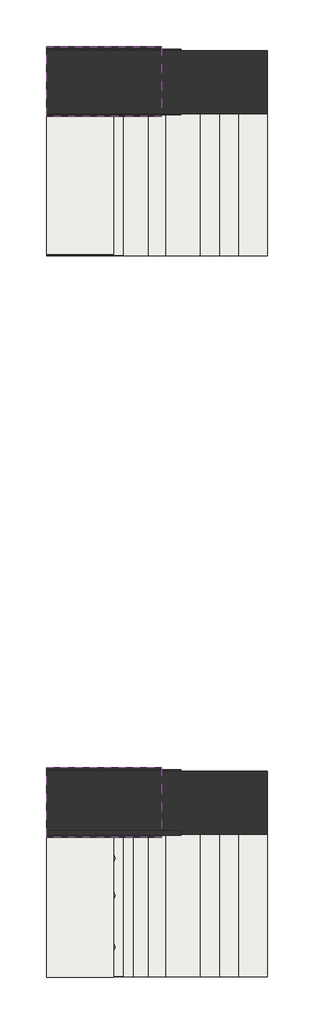
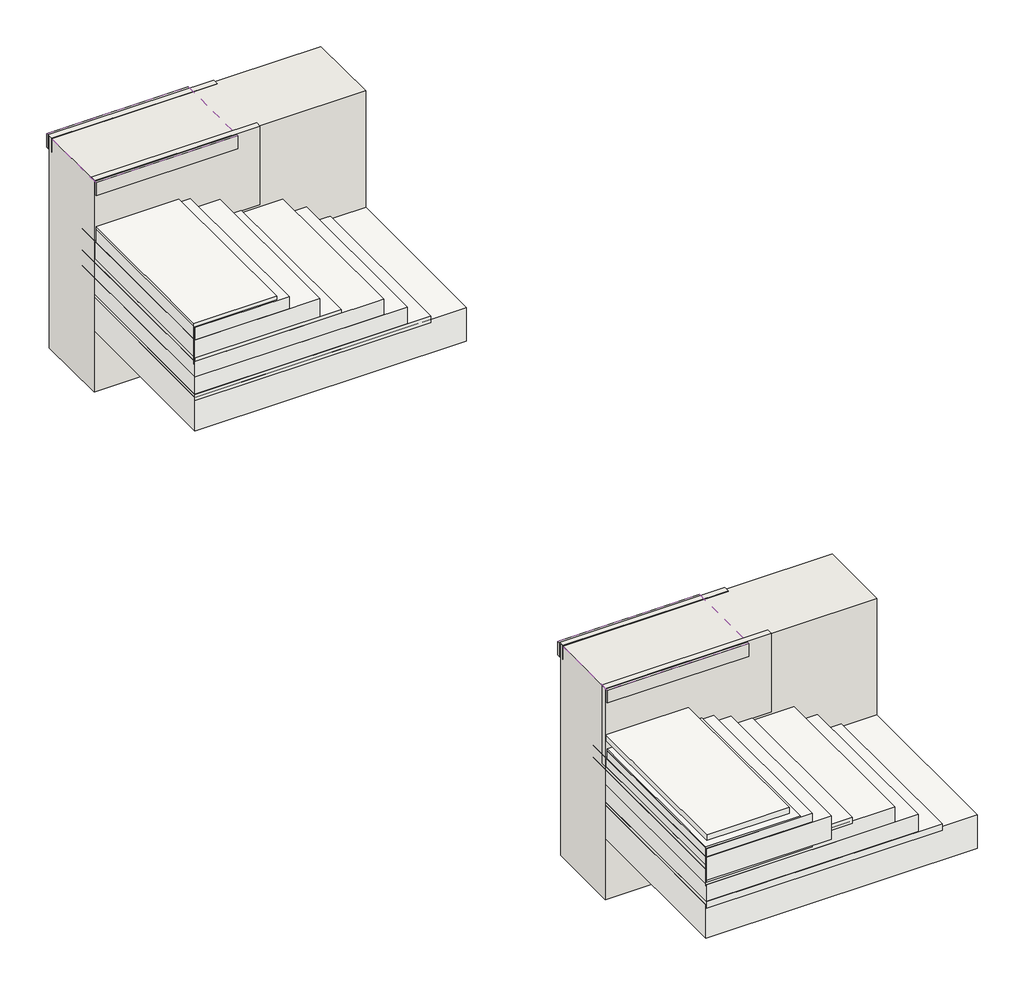
# One storey: 12 slabs, 10 walls, 7 coverings, 6 pipe segments.
"""IFC4 building model written with IfcOpenShell, lengths in millimetres."""

import ifcopenshell
import ifcopenshell.guid

model = None  # the IFC model being written
_history = None  # IfcOwnerHistory: only IFC2X3 demands one
_inside = {}  # id of a spatial element -> (the spatial element, [elements in it])
_under = {}  # id of a project, library or spatial element -> (it, [spatial elements below it])
_declared = {}  # id of a project -> (the project, [libraries it declares])
_typed = {}  # id of a type object -> (the type object, [elements of that type])
_made_of = {}  # id of a material, layer set ... -> (it, [elements and type objects made of it])


def new_model(schema):
    """Start an empty IFC model of exactly this schema.

    Asked for "IFC4X3", IfcOpenShell would pick the latest addendum, in which some entities
    have other attributes; the version numbers below select the first issue.
    IFC2X3 requires an IfcOwnerHistory on every rooted entity: one is made here for all.
    """
    global model, _history
    if schema == "IFC4X3":
        model = ifcopenshell.file(schema_version=(4, 3, 0, 0))
    else:
        model = ifcopenshell.file(schema=schema)
    _inside.clear()
    _under.clear()
    _declared.clear()
    _typed.clear()
    _made_of.clear()
    _history = None
    if model.schema == "IFC2X3":
        org = make("IfcOrganization", Name="unknown")
        user = make(
            "IfcPersonAndOrganization",
            ThePerson=make("IfcPerson", FamilyName="unknown"),
            TheOrganization=org,
        )
        app = make(
            "IfcApplication",
            ApplicationDeveloper=org,
            Version="unknown",
            ApplicationFullName="unknown",
            ApplicationIdentifier="unknown",
        )
        _history = make(
            "IfcOwnerHistory",
            OwningUser=user,
            OwningApplication=app,
            ChangeAction="ADDED",
            CreationDate=0,
        )
    return model


def make(cls, **values):
    """One entity of the class cls with the attributes given. An attribute that is None is left unset."""
    return model.create_entity(
        cls, **{name: value for name, value in values.items() if value is not None}
    )


def rooted(cls, **values):
    """An entity with a GlobalId (a new one), such as an element, a storey or a relation."""
    return make(cls, GlobalId=ifcopenshell.guid.new(), OwnerHistory=_history, **values)


def si_unit(unit_type, name, prefix=None):
    """IfcSIUnit, for example si_unit("LENGTHUNIT", "METRE", prefix="MILLI")."""
    return make("IfcSIUnit", UnitType=unit_type, Prefix=prefix, Name=name)


def assignment(units):
    """IfcUnitAssignment: the units of a project."""
    return None if units is None else make("IfcUnitAssignment", Units=units)


def point(xyz):
    """IfcCartesianPoint."""
    return None if xyz is None else make("IfcCartesianPoint", Coordinates=xyz)


def direction(xyz):
    """IfcDirection."""
    return None if xyz is None else make("IfcDirection", DirectionRatios=xyz)


def frame(location, z_axis=None, x_axis=None):
    """IfcAxis2Placement3D, a coordinate frame: its origin and axes. An axis left out is left unset."""
    return make(
        "IfcAxis2Placement3D",
        Location=point(location),
        Axis=direction(z_axis),
        RefDirection=direction(x_axis),
    )


def frame_2d(location, x_axis=None):
    """IfcAxis2Placement2D, a coordinate frame in the plane: its origin and x axis."""
    return make(
        "IfcAxis2Placement2D", Location=point(location), RefDirection=direction(x_axis)
    )


def origin():
    """The frame at (0, 0, 0) with its axes left unset."""
    return frame((0.0, 0.0, 0.0))


def place(relative_to, where):
    """IfcLocalPlacement: puts the frame where relative to a parent placement (None: the world)."""
    return make(
        "IfcLocalPlacement", PlacementRelTo=relative_to, RelativePlacement=where
    )


def context(
    kind, dimensions, precision=None, world=None, true_north=None, identifier=None
):
    """IfcGeometricRepresentationContext, for example the 3D "Model" context."""
    return make(
        "IfcGeometricRepresentationContext",
        ContextIdentifier=identifier,
        ContextType=kind,
        CoordinateSpaceDimension=dimensions,
        Precision=precision,
        WorldCoordinateSystem=world,
        TrueNorth=true_north,
    )


def project(units=None, contexts=None):
    """IfcProject with its units and contexts."""
    return rooted(
        "IfcProject",
        Name="project",
        RepresentationContexts=contexts,
        UnitsInContext=assignment(units),
    )


def spatial(cls, under=None, at=None, **own):
    """A site, building, storey or space (cls), placed at a placement, below another one or the project."""
    s = rooted(cls, ObjectPlacement=at, **own)
    if under is not None:
        _under.setdefault(under.id(), (under, []))[1].append(s)
    return s


def polyline(points):
    """IfcPolyline through the points."""
    return make("IfcPolyline", Points=[point(p) for p in points])


def circle_curve(where, radius):
    """IfcCircle in the frame where."""
    return make("IfcCircle", Position=where, Radius=radius)


def trimmed(basis, trim1, trim2, sense, master):
    """IfcTrimmedCurve: the piece of a basis curve between two trims."""
    return make(
        "IfcTrimmedCurve",
        BasisCurve=basis,
        Trim1=trim1,
        Trim2=trim2,
        SenseAgreement=sense,
        MasterRepresentation=master,
    )


def segment(curve, same_sense, transition):
    """IfcCompositeCurveSegment."""
    return make(
        "IfcCompositeCurveSegment",
        Transition=transition,
        SameSense=same_sense,
        ParentCurve=curve,
    )


def composite_curve(segments, self_intersect=None):
    """IfcCompositeCurve: segments joined end to end."""
    return make("IfcCompositeCurve", Segments=segments, SelfIntersect=self_intersect)


def outline(outer, holes=None, kind="AREA"):
    """IfcArbitraryClosedProfileDef: a profile drawn as a closed curve; with holes, ...WithVoids."""
    if holes is None:
        return make("IfcArbitraryClosedProfileDef", ProfileType=kind, OuterCurve=outer)
    return make(
        "IfcArbitraryProfileDefWithVoids",
        ProfileType=kind,
        OuterCurve=outer,
        InnerCurves=holes,
    )


def extrude(swept, where, along, depth):
    """IfcExtrudedAreaSolid: the profile swept, set in the frame where, extruded along a direction by depth."""
    return make(
        "IfcExtrudedAreaSolid",
        SweptArea=swept,
        Position=where,
        ExtrudedDirection=direction(along),
        Depth=depth,
    )


def faces_of(points, faces, orient=None, outer=None):
    """IfcFace entities. A face is a list of loops; a loop is a list of indices into points, from 0.

    orient and outer hold one flag for each loop. By default every Orientation is true, the
    first loop of a face is its IfcFaceOuterBound and the others are IfcFaceBound.
    """
    made = []
    for i, loops in enumerate(faces):
        bounds = []
        for j, loop in enumerate(loops):
            is_outer = j == 0 if outer is None else outer[i][j]
            bounds.append(
                make(
                    "IfcFaceOuterBound" if is_outer else "IfcFaceBound",
                    Bound=make("IfcPolyLoop", Polygon=[points[k] for k in loop]),
                    Orientation=True if orient is None else orient[i][j],
                )
            )
        made.append(make("IfcFace", Bounds=bounds))
    return made


def faceted_brep(points, faces, orient=None, outer=None, voids=None):
    """IfcFacetedBrep: a solid bounded by flat faces; with voids (closed shells), ...WithVoids."""
    shared = [point(p) for p in points]
    hull = make("IfcClosedShell", CfsFaces=faces_of(shared, faces, orient, outer))
    if voids is None:
        return make("IfcFacetedBrep", Outer=hull)
    return make(
        "IfcFacetedBrepWithVoids",
        Outer=hull,
        Voids=[
            make(cls, CfsFaces=faces_of(shared, fs, o, b)) for cls, fs, o, b in voids
        ],
    )


def shape(context_of_items, identifier, shape_type, items):
    """IfcShapeRepresentation: the items that make up one representation, for example the "Body"."""
    return make(
        "IfcShapeRepresentation",
        ContextOfItems=context_of_items,
        RepresentationIdentifier=identifier,
        RepresentationType=shape_type,
        Items=items,
    )


def made_of(thing, what):
    """Note that an element or type object is made of a material, layer set ...; save() writes the relation."""
    if what is not None:
        _made_of.setdefault(what.id(), (what, []))[1].append(thing)
    return thing


def element(
    cls,
    number,
    at=None,
    inside=None,
    cuts=None,
    type_object=None,
    material=None,
    context=None,
    identifier="Body",
    shape_type=None,
    held_by="IfcProductDefinitionShape",
    body=None,
    shapes=None,
    **own,
):
    """One element of the class cls, such as IfcWall. Its Tag is "e" and its number.

    at: its placement. inside: the storey or other place that contains it. cuts: it is an
    opening in that element (IfcRelVoidsElement). A single representation is given by context,
    identifier, shape_type and body (its items); several are given by shapes. held_by: the class
    of the entity that holds the representations. save() writes the other relations.
    """
    e = rooted(cls, Tag="e%d" % number, ObjectPlacement=at, **own)
    if body is not None:
        shapes = [shape(context, identifier, shape_type, body)]
    if shapes is not None:
        e.Representation = make(held_by, Representations=shapes)
    if inside is not None:
        _inside.setdefault(inside.id(), (inside, []))[1].append(e)
    if cuts is not None:
        rooted(
            "IfcRelVoidsElement", RelatingBuildingElement=cuts, RelatedOpeningElement=e
        )
    if type_object is not None:
        _typed.setdefault(type_object.id(), (type_object, []))[1].append(e)
    return made_of(e, material)


def aggregate(whole, parts):
    """IfcRelAggregates: a whole, such as a stair, and the parts it consists of."""
    return rooted("IfcRelAggregates", RelatingObject=whole, RelatedObjects=parts)


def save(model, path):
    """Write the relations noted so far, then the file.

    IfcRelAggregates (storeys below a building ...), IfcRelContainedInSpatialStructure (elements
    in a storey), IfcRelDefinesByType, IfcRelAssociatesMaterial and IfcRelDeclares: one each for
    every whole, place, type object, material and project.
    """
    for whole, parts in _under.values():
        aggregate(whole, parts)
    for where, things in _inside.values():
        rooted(
            "IfcRelContainedInSpatialStructure",
            RelatedElements=things,
            RelatingStructure=where,
        )
    for kind, things in _typed.values():
        rooted("IfcRelDefinesByType", RelatedObjects=things, RelatingType=kind)
    for what, things in _made_of.values():
        rooted("IfcRelAssociatesMaterial", RelatedObjects=things, RelatingMaterial=what)
    for by, libraries in _declared.values():
        rooted("IfcRelDeclares", RelatingContext=by, RelatedDefinitions=libraries)
    model.write(path)


model = new_model("IFC4")

# Units and contexts
model_context = context("Model", 3, world=origin())
ifc_project = project(units=[si_unit("LENGTHUNIT", "METRE", prefix="MILLI")], contexts=[model_context])

# Site, building, storey
site = spatial("IfcSite", under=ifc_project)
building = spatial("IfcBuilding", under=site)
storey = spatial("IfcBuildingStorey", under=building, Elevation=0.0)

# Coverings
placement = place(None, origin())
element("IfcCovering", 1, at=placement, inside=storey, context=model_context, shape_type="SweptSolid", body=[
    extrude(outline(polyline([(-23182.5624154, -14731.5458538), (-21182.5624154, -14731.5458538), (-21182.5624154, -16210.8477988), (-23182.5624154, -16210.8477988), (-23182.5624154, -14731.5458538)])), frame((0.0, 0.0, 179.3793099), z_axis=(0.0, 0.0, 1.0), x_axis=(1.0, 0.0, 0.0)), (0.0, 0.0, 1.0), 57.0),
])
element("IfcCovering", 2, at=placement, inside=storey, context=model_context, shape_type="SweptSolid", body=[
    extrude(outline(polyline([(-23182.5624154, -14561.953305), (-21942.5624154, -14561.953305), (-21942.5624154, -16208.7700458), (-23182.5624154, -16208.7700458), (-23182.5624154, -14561.953305)])), frame((0.0, 0.0, 507.3951932), z_axis=(0.0, 0.0, 1.0), x_axis=(1.0, 0.0, 0.0)), (0.0, 0.0, 1.0), 52.0),
])
element("IfcCovering", 3, at=placement, inside=storey, context=model_context, shape_type="SweptSolid", body=[
    extrude(outline(polyline([(-23182.5624154, -14033.7541097), (-21982.5624154, -14033.7541097), (-21982.5624154, -14760.9958441), (-23182.5624154, -14760.9958441), (-23182.5624154, -14033.7541097)])), frame((0.0, 0.0, 1254.3055564), z_axis=(0.0, 0.0, 1.0), x_axis=(1.0, 0.0, 0.0)), (0.0, 0.0, 1.0), 52.0),
])
element("IfcCovering", 4, at=placement, inside=storey, context=model_context, shape_type="SweptSolid", body=[
    extrude(outline(polyline([(-23182.5624154, -22231.5458538), (-21182.5624154, -22231.5458538), (-21182.5624154, -23710.8477988), (-23182.5624154, -23710.8477988), (-23182.5624154, -22231.5458538)])), frame((0.0, 0.0, 179.3793099), z_axis=(0.0, 0.0, 1.0), x_axis=(1.0, 0.0, 0.0)), (0.0, 0.0, 1.0), 57.0),
])
element("IfcCovering", 5, at=placement, inside=storey, context=model_context, shape_type="SweptSolid", body=[
    extrude(outline(polyline([(-23182.5624154, -22061.953305), (-21942.5624154, -22061.953305), (-21942.5624154, -23711.953305), (-23182.5624154, -23711.953305), (-23182.5624154, -22061.953305)])), frame((0.0, 0.0, 507.3951932), z_axis=(0.0, 0.0, 1.0), x_axis=(1.0, 0.0, 0.0)), (0.0, 0.0, 1.0), 52.0),
])
element("IfcCovering", 6, at=placement, inside=storey, context=model_context, shape_type="SweptSolid", body=[
    extrude(outline(polyline([(-23182.5624154, -22240.66973), (-22482.5624154, -22240.66973), (-22482.5624154, -23719.971675), (-23182.5624154, -23719.971675), (-23182.5624154, -22240.66973)])), frame((0.0, 0.0, 791.8317649), z_axis=(0.0, 0.0, 1.0), x_axis=(1.0, 0.0, 0.0)), (0.0, 0.0, 1.0), 52.0),
])
element("IfcCovering", 7, at=placement, inside=storey, context=model_context, shape_type="SweptSolid", body=[
    extrude(outline(polyline([(-23182.5624154, -21533.7541097), (-21982.5624154, -21533.7541097), (-21982.5624154, -22260.9958441), (-23182.5624154, -22260.9958441), (-23182.5624154, -21533.7541097)])), frame((0.0, 0.0, 1254.3055564), z_axis=(0.0, 0.0, 1.0), x_axis=(1.0, 0.0, 0.0)), (0.0, 0.0, 1.0), 52.0),
])

# Pipe segments
element("IfcPipeSegment", 8, at=placement, inside=storey, context=model_context, shape_type="SweptSolid", body=[
    extrude(outline(composite_curve([segment(trimmed(circle_curve(frame_2d((-22522.6890772, -23403.1916701)), 21.082), [point((-22543.7710772, -23403.1916701))], [point((-22522.6890772, -23382.1096701))], False, "CARTESIAN"), True, "CONTINUOUS"), segment(trimmed(circle_curve(frame_2d((-22522.6890772, -23403.1916701)), 21.082), [point((-22522.6890772, -23382.1096701))], [point((-22501.6070772, -23403.1916701))], False, "CARTESIAN"), True, "CONTINUOUS"), segment(trimmed(circle_curve(frame_2d((-22522.6890772, -23403.1916701)), 21.082), [point((-22501.6070772, -23403.1916701))], [point((-22522.6890772, -23424.2736701))], False, "CARTESIAN"), True, "CONTINUOUS"), segment(trimmed(circle_curve(frame_2d((-22522.6890772, -23403.1916701)), 21.082), [point((-22522.6890772, -23424.2736701))], [point((-22543.7710772, -23403.1916701))], False, "CARTESIAN"), True, "CONTINUOUS")], self_intersect=False)), frame((0.0, 0.0, 731.3853786), z_axis=(0.0, 0.0, 1.0), x_axis=(1.0, 0.0, 0.0)), (0.0, 0.0, 1.0), 55.0),
])
element("IfcPipeSegment", 9, at=placement, inside=storey, context=model_context, shape_type="SweptSolid", body=[
    extrude(outline(composite_curve([segment(trimmed(circle_curve(frame_2d((-22522.6890772, -23403.1916701)), 57.15), [point((-22579.8390772, -23403.1916701))], [point((-22522.6890772, -23346.0416701))], False, "CARTESIAN"), True, "CONTINUOUS"), segment(trimmed(circle_curve(frame_2d((-22522.6890772, -23403.1916701)), 57.15), [point((-22522.6890772, -23346.0416701))], [point((-22465.5390772, -23403.1916701))], False, "CARTESIAN"), True, "CONTINUOUS"), segment(trimmed(circle_curve(frame_2d((-22522.6890772, -23403.1916701)), 57.15), [point((-22465.5390772, -23403.1916701))], [point((-22522.6890772, -23460.3416701))], False, "CARTESIAN"), True, "CONTINUOUS"), segment(trimmed(circle_curve(frame_2d((-22522.6890772, -23403.1916701)), 57.15), [point((-22522.6890772, -23460.3416701))], [point((-22579.8390772, -23403.1916701))], False, "CARTESIAN"), True, "CONTINUOUS")], self_intersect=False)), frame((0.0, 0.0, 731.3853786), z_axis=(0.0, 0.0, 1.0), x_axis=(1.0, 0.0, 0.0)), (0.0, 0.0, 1.0), 20.0),
])
element("IfcPipeSegment", 10, at=placement, inside=storey, context=model_context, shape_type="SweptSolid", body=[
    extrude(outline(composite_curve([segment(trimmed(circle_curve(frame_2d((-22522.6890772, -22868.3408869)), 21.082), [point((-22543.7710772, -22868.3408869))], [point((-22522.6890772, -22847.2588869))], False, "CARTESIAN"), True, "CONTINUOUS"), segment(trimmed(circle_curve(frame_2d((-22522.6890772, -22868.3408869)), 21.082), [point((-22522.6890772, -22847.2588869))], [point((-22501.6070772, -22868.3408869))], False, "CARTESIAN"), True, "CONTINUOUS"), segment(trimmed(circle_curve(frame_2d((-22522.6890772, -22868.3408869)), 21.082), [point((-22501.6070772, -22868.3408869))], [point((-22522.6890772, -22889.4228869))], False, "CARTESIAN"), True, "CONTINUOUS"), segment(trimmed(circle_curve(frame_2d((-22522.6890772, -22868.3408869)), 21.082), [point((-22522.6890772, -22889.4228869))], [point((-22543.7710772, -22868.3408869))], False, "CARTESIAN"), True, "CONTINUOUS")], self_intersect=False)), frame((0.0, 0.0, 731.3853786), z_axis=(0.0, 0.0, 1.0), x_axis=(1.0, 0.0, 0.0)), (0.0, 0.0, 1.0), 55.0),
])
element("IfcPipeSegment", 11, at=placement, inside=storey, context=model_context, shape_type="SweptSolid", body=[
    extrude(outline(composite_curve([segment(trimmed(circle_curve(frame_2d((-22522.6890772, -22868.3408869)), 57.15), [point((-22579.8390772, -22868.3408869))], [point((-22522.6890772, -22811.1908869))], False, "CARTESIAN"), True, "CONTINUOUS"), segment(trimmed(circle_curve(frame_2d((-22522.6890772, -22868.3408869)), 57.15), [point((-22522.6890772, -22811.1908869))], [point((-22465.5390772, -22868.3408869))], False, "CARTESIAN"), True, "CONTINUOUS"), segment(trimmed(circle_curve(frame_2d((-22522.6890772, -22868.3408869)), 57.15), [point((-22465.5390772, -22868.3408869))], [point((-22522.6890772, -22925.4908869))], False, "CARTESIAN"), True, "CONTINUOUS"), segment(trimmed(circle_curve(frame_2d((-22522.6890772, -22868.3408869)), 57.15), [point((-22522.6890772, -22925.4908869))], [point((-22579.8390772, -22868.3408869))], False, "CARTESIAN"), True, "CONTINUOUS")], self_intersect=False)), frame((0.0, 0.0, 731.3853786), z_axis=(0.0, 0.0, 1.0), x_axis=(1.0, 0.0, 0.0)), (0.0, 0.0, 1.0), 20.0),
])
element("IfcPipeSegment", 12, at=placement, inside=storey, context=model_context, shape_type="SweptSolid", body=[
    extrude(outline(composite_curve([segment(trimmed(circle_curve(frame_2d((-22522.6890772, -22480.5314831)), 21.082), [point((-22543.7710772, -22480.5314831))], [point((-22522.6890772, -22459.4494831))], False, "CARTESIAN"), True, "CONTINUOUS"), segment(trimmed(circle_curve(frame_2d((-22522.6890772, -22480.5314831)), 21.082), [point((-22522.6890772, -22459.4494831))], [point((-22501.6070772, -22480.5314831))], False, "CARTESIAN"), True, "CONTINUOUS"), segment(trimmed(circle_curve(frame_2d((-22522.6890772, -22480.5314831)), 21.082), [point((-22501.6070772, -22480.5314831))], [point((-22522.6890772, -22501.6134831))], False, "CARTESIAN"), True, "CONTINUOUS"), segment(trimmed(circle_curve(frame_2d((-22522.6890772, -22480.5314831)), 21.082), [point((-22522.6890772, -22501.6134831))], [point((-22543.7710772, -22480.5314831))], False, "CARTESIAN"), True, "CONTINUOUS")], self_intersect=False)), frame((0.0, 0.0, 731.3853786), z_axis=(0.0, 0.0, 1.0), x_axis=(1.0, 0.0, 0.0)), (0.0, 0.0, 1.0), 55.0),
])
element("IfcPipeSegment", 13, at=placement, inside=storey, context=model_context, shape_type="SweptSolid", body=[
    extrude(outline(composite_curve([segment(trimmed(circle_curve(frame_2d((-22522.6890772, -22480.5314831)), 57.15), [point((-22579.8390772, -22480.5314831))], [point((-22522.6890772, -22423.3814831))], False, "CARTESIAN"), True, "CONTINUOUS"), segment(trimmed(circle_curve(frame_2d((-22522.6890772, -22480.5314831)), 57.15), [point((-22522.6890772, -22423.3814831))], [point((-22465.5390772, -22480.5314831))], False, "CARTESIAN"), True, "CONTINUOUS"), segment(trimmed(circle_curve(frame_2d((-22522.6890772, -22480.5314831)), 57.15), [point((-22465.5390772, -22480.5314831))], [point((-22522.6890772, -22537.6814831))], False, "CARTESIAN"), True, "CONTINUOUS"), segment(trimmed(circle_curve(frame_2d((-22522.6890772, -22480.5314831)), 57.15), [point((-22522.6890772, -22537.6814831))], [point((-22579.8390772, -22480.5314831))], False, "CARTESIAN"), True, "CONTINUOUS")], self_intersect=False)), frame((0.0, 0.0, 731.3853786), z_axis=(0.0, 0.0, 1.0), x_axis=(1.0, 0.0, 0.0)), (0.0, 0.0, 1.0), 20.0),
])

# Slabs
element("IfcSlab", 14, at=placement, inside=storey, context=model_context, shape_type="SweptSolid", body=[
    extrude(outline(polyline([(-23182.5624154, -14730.9709867), (-20882.5624154, -14730.9709867), (-20882.5624154, -16210.2729317), (-23182.5624154, -16210.2729317), (-23182.5624154, -14730.9709867)])), frame((0.0, 0.0, -90.0), z_axis=(0.0, 0.0, 1.0), x_axis=(1.0, 0.0, 0.0)), (0.0, 0.0, 1.0), 300.0),
])
element("IfcSlab", 15, at=placement, inside=storey, context=model_context, shape_type="SweptSolid", body=[
    extrude(outline(polyline([(-23182.5624154, -14559.9075872), (-21382.5624154, -14559.9075872), (-21382.5624154, -16210.8477988), (-23182.5624154, -16210.8477988), (-23182.5624154, -14559.9075872)])), frame((0.0, 0.0, 240.0), z_axis=(0.0, 0.0, 1.0), x_axis=(1.0, 0.0, 0.0)), (0.0, 0.0, 1.0), 150.0),
])
element("IfcSlab", 16, at=placement, inside=storey, context=model_context, shape_type="SweptSolid", body=[
    extrude(outline(polyline([(-23182.5624154, -14559.6455739), (-21582.5624154, -14559.6455739), (-21582.5624154, -16210.5857855), (-23182.5624154, -16210.5857855), (-23182.5624154, -14559.6455739)])), frame((0.0, 0.0, 380.0), z_axis=(0.0, 0.0, 1.0), x_axis=(1.0, 0.0, 0.0)), (0.0, 0.0, 1.0), 150.0),
])
element("IfcSlab", 17, at=placement, inside=storey, context=model_context, shape_type="SweptSolid", body=[
    extrude(outline(polyline([(-23182.5624154, -14559.6455739), (-22122.5624154, -14559.6455739), (-22122.5624154, -16208.7700458), (-23182.5624154, -16208.7700458), (-23182.5624154, -14559.6455739)])), frame((0.0, 0.0, 512.4574857), z_axis=(0.0, 0.0, 1.0), x_axis=(1.0, 0.0, 0.0)), (0.0, 0.0, 1.0), 210.0),
])
element("IfcSlab", 18, at=placement, inside=storey, context=model_context, shape_type="SweptSolid", body=[
    extrude(outline(polyline([(-23182.5624154, -14759.7109913), (-22382.5624154, -14759.7109913), (-22382.5624154, -16207.6374119), (-23182.5624154, -16207.6374119), (-23182.5624154, -14759.7109913)])), frame((0.0, 0.0, 606.3172572), z_axis=(0.0, 0.0, 1.0), x_axis=(1.0, 0.0, 0.0)), (0.0, 0.0, 1.0), 225.0),
])
element("IfcSlab", 19, at=placement, inside=storey, context=model_context, shape_type="SweptSolid", body=[
    extrude(outline(polyline([(-23182.5624154, -14761.6262456), (-22482.5624154, -14761.6262456), (-22482.5624154, -16196.6262456), (-23182.5624154, -16196.6262456), (-23182.5624154, -14761.6262456)])), frame((0.0, 0.0, 500.0), z_axis=(0.0, 0.0, 1.0), x_axis=(1.0, 0.0, 0.0)), (0.0, 0.0, 1.0), 362.0),
])
element("IfcSlab", 20, at=placement, inside=storey, context=model_context, shape_type="SweptSolid", body=[
    extrude(outline(polyline([(-23182.5624154, -22230.9709867), (-20882.5624154, -22230.9709867), (-20882.5624154, -23710.2729317), (-23182.5624154, -23710.2729317), (-23182.5624154, -22230.9709867)])), frame((0.0, 0.0, -90.0), z_axis=(0.0, 0.0, 1.0), x_axis=(1.0, 0.0, 0.0)), (0.0, 0.0, 1.0), 300.0),
])
element("IfcSlab", 21, at=placement, inside=storey, context=model_context, shape_type="SweptSolid", body=[
    extrude(outline(polyline([(-23182.5624154, -22059.9075872), (-21382.5624154, -22059.9075872), (-21382.5624154, -23710.8477988), (-23182.5624154, -23710.8477988), (-23182.5624154, -22059.9075872)])), frame((0.0, 0.0, 240.0), z_axis=(0.0, 0.0, 1.0), x_axis=(1.0, 0.0, 0.0)), (0.0, 0.0, 1.0), 150.0),
])
element("IfcSlab", 22, at=placement, inside=storey, context=model_context, shape_type="SweptSolid", body=[
    extrude(outline(polyline([(-23182.5624154, -22059.6455739), (-21582.5624154, -22059.6455739), (-21582.5624154, -23710.5857855), (-23182.5624154, -23710.5857855), (-23182.5624154, -22059.6455739)])), frame((0.0, 0.0, 380.0), z_axis=(0.0, 0.0, 1.0), x_axis=(1.0, 0.0, 0.0)), (0.0, 0.0, 1.0), 150.0),
])
element("IfcSlab", 23, at=placement, inside=storey, context=model_context, shape_type="SweptSolid", body=[
    extrude(outline(polyline([(-23182.5624154, -22059.6455739), (-22122.5624154, -22059.6455739), (-22122.5624154, -23713.526454), (-23182.5624154, -23713.526454), (-23182.5624154, -22059.6455739)])), frame((0.0, 0.0, 430.0), z_axis=(0.0, 0.0, 1.0), x_axis=(1.0, 0.0, 0.0)), (0.0, 0.0, 1.0), 210.0),
])
element("IfcSlab", 24, at=placement, inside=storey, context=model_context, shape_type="SweptSolid", body=[
    extrude(outline(polyline([(-23182.5624154, -22263.212721), (-22282.5624154, -22263.212721), (-22282.5624154, -23711.1391417), (-23182.5624154, -23711.1391417), (-23182.5624154, -22263.212721)])), frame((0.0, 0.0, 413.8060402), z_axis=(0.0, 0.0, 1.0), x_axis=(1.0, 0.0, 0.0)), (0.0, 0.0, 1.0), 300.0),
])
element("IfcSlab", 25, at=placement, inside=storey, context=model_context, shape_type="SweptSolid", body=[
    extrude(outline(polyline([(-23182.5624154, -22261.9118761), (-22382.5624154, -22261.9118761), (-22382.5624154, -23709.8382967), (-23182.5624154, -23709.8382967), (-23182.5624154, -22261.9118761)])), frame((0.0, 0.0, 503.5978561), z_axis=(0.0, 0.0, 1.0), x_axis=(1.0, 0.0, 0.0)), (0.0, 0.0, 1.0), 225.0),
])

# Walls
element("IfcWall", 26, at=placement, inside=storey, context=model_context, shape_type="Brep", body=[
    faceted_brep([(-20882.5624154, -14075.9709867, -640.6206901), (-23182.5624154, -14075.9709867, -640.6206901), (-23182.5624154, -14075.9709867, 1254.3055564), (-20882.5624154, -14075.9709867, 1254.3055564), (-20882.5624154, -14730.9709867, -640.6206901), (-20882.5624154, -14730.9709867, -90.0), (-20882.5624154, -14730.9709867, 210.0), (-20882.5624154, -14730.9709867, 1254.3055564), (-23182.5624154, -14730.9709867, 1254.3055564), (-23182.5624154, -14730.9709867, 210.0), (-23182.5624154, -14730.9709867, -90.0), (-23182.5624154, -14730.9709867, -640.6206901)], [[[0, 1, 2, 3]], [[4, 5, 6, 7, 8, 9, 10, 11]], [[1, 0, 4, 11]], [[2, 1, 11, 10, 9, 8]], [[3, 2, 8, 7]], [[0, 3, 7, 6, 5, 4]]]),
])
element("IfcWall", 27, at=placement, inside=storey, context=model_context, shape_type="SweptSolid", body=[
    extrude(outline(polyline([(-23182.5624154, -14060.9709867), (-21782.5624154, -14060.9709867), (-21782.5624154, -14110.9709867), (-23182.5624154, -14110.9709867), (-23182.5624154, -14060.9709867)])), frame((0.0, 0.0, 1135.1358729), z_axis=(0.0, 0.0, 1.0), x_axis=(1.0, 0.0, 0.0)), (0.0, 0.0, 1.0), 124.390275),
])
element("IfcWall", 28, at=placement, inside=storey, context=model_context, shape_type="SweptSolid", body=[
    extrude(outline(polyline([(-23182.5624154, -14690.9709867), (-21782.5624154, -14690.9709867), (-21782.5624154, -14740.9709867), (-23182.5624154, -14740.9709867), (-23182.5624154, -14690.9709867)])), frame((0.0, 0.0, 556.4497982), z_axis=(0.0, 0.0, 1.0), x_axis=(1.0, 0.0, 0.0)), (0.0, 0.0, 1.0), 703.5502018),
])
element("IfcWall", 29, at=placement, inside=storey, context=model_context, shape_type="SweptSolid", body=[
    extrude(outline(polyline([(-23182.5624154, -14035.9709867), (-21982.5624154, -14035.9709867), (-21982.5624154, -14085.9709867), (-23182.5624154, -14085.9709867), (-23182.5624154, -14035.9709867)])), frame((0.0, 0.0, 1131.3607465), z_axis=(0.0, 0.0, 1.0), x_axis=(1.0, 0.0, 0.0)), (0.0, 0.0, 1.0), 122.9448099),
])
element("IfcWall", 30, at=placement, inside=storey, context=model_context, shape_type="SweptSolid", body=[
    extrude(outline(polyline([(-23182.5624154, -14710.9958441), (-21982.5624154, -14710.9958441), (-21982.5624154, -14760.9958441), (-23182.5624154, -14760.9958441), (-23182.5624154, -14710.9958441)])), frame((0.0, 0.0, 1138.8977316), z_axis=(0.0, 0.0, 1.0), x_axis=(1.0, 0.0, 0.0)), (0.0, 0.0, 1.0), 115.4078248),
])
element("IfcWall", 31, at=placement, inside=storey, context=model_context, shape_type="Brep", body=[
    faceted_brep([(-20882.5624154, -21575.9709867, -640.6206901), (-23182.5624154, -21575.9709867, -640.6206901), (-23182.5624154, -21575.9709867, 1254.3055564), (-20882.5624154, -21575.9709867, 1254.3055564), (-20882.5624154, -22230.9709867, -640.6206901), (-20882.5624154, -22230.9709867, -90.0), (-20882.5624154, -22230.9709867, 210.0), (-20882.5624154, -22230.9709867, 1254.3055564), (-23182.5624154, -22230.9709867, 1254.3055564), (-23182.5624154, -22230.9709867, 210.0), (-23182.5624154, -22230.9709867, -90.0), (-23182.5624154, -22230.9709867, -640.6206901)], [[[0, 1, 2, 3]], [[4, 5, 6, 7, 8, 9, 10, 11]], [[1, 0, 4, 11]], [[2, 1, 11, 10, 9, 8]], [[3, 2, 8, 7]], [[0, 3, 7, 6, 5, 4]]]),
])
element("IfcWall", 32, at=placement, inside=storey, context=model_context, shape_type="SweptSolid", body=[
    extrude(outline(polyline([(-23182.5624154, -21560.9709867), (-21782.5624154, -21560.9709867), (-21782.5624154, -21610.9709867), (-23182.5624154, -21610.9709867), (-23182.5624154, -21560.9709867)])), frame((0.0, 0.0, 1135.1358729), z_axis=(0.0, 0.0, 1.0), x_axis=(1.0, 0.0, 0.0)), (0.0, 0.0, 1.0), 124.390275),
])
element("IfcWall", 33, at=placement, inside=storey, context=model_context, shape_type="SweptSolid", body=[
    extrude(outline(polyline([(-23182.5624154, -22190.9709867), (-21782.5624154, -22190.9709867), (-21782.5624154, -22240.9709867), (-23182.5624154, -22240.9709867), (-23182.5624154, -22190.9709867)])), frame((0.0, 0.0, 556.4497982), z_axis=(0.0, 0.0, 1.0), x_axis=(1.0, 0.0, 0.0)), (0.0, 0.0, 1.0), 703.5502018),
])
element("IfcWall", 34, at=placement, inside=storey, context=model_context, shape_type="SweptSolid", body=[
    extrude(outline(polyline([(-23182.5624154, -21535.9709867), (-21982.5624154, -21535.9709867), (-21982.5624154, -21585.9709867), (-23182.5624154, -21585.9709867), (-23182.5624154, -21535.9709867)])), frame((0.0, 0.0, 1131.3607465), z_axis=(0.0, 0.0, 1.0), x_axis=(1.0, 0.0, 0.0)), (0.0, 0.0, 1.0), 122.9448099),
])
element("IfcWall", 35, at=placement, inside=storey, context=model_context, shape_type="SweptSolid", body=[
    extrude(outline(polyline([(-23182.5624154, -22210.9958441), (-21982.5624154, -22210.9958441), (-21982.5624154, -22260.9958441), (-23182.5624154, -22260.9958441), (-23182.5624154, -22210.9958441)])), frame((0.0, 0.0, 1138.8977316), z_axis=(0.0, 0.0, 1.0), x_axis=(1.0, 0.0, 0.0)), (0.0, 0.0, 1.0), 115.4078248),
])

save(model, "model.ifc")
